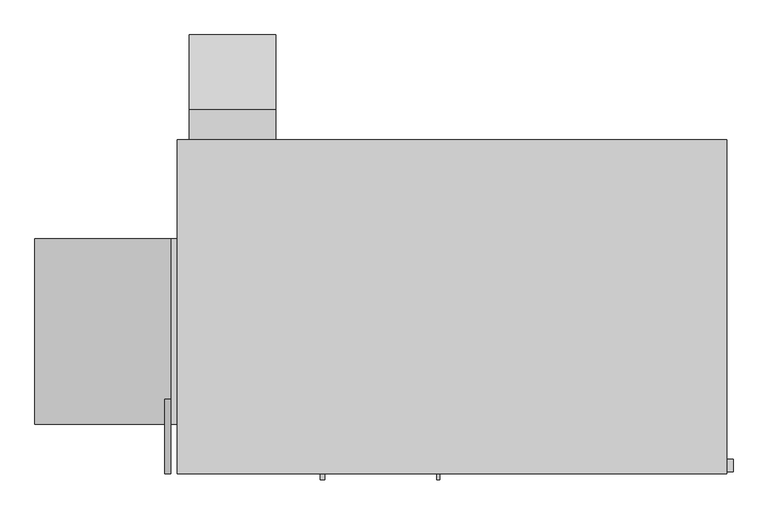
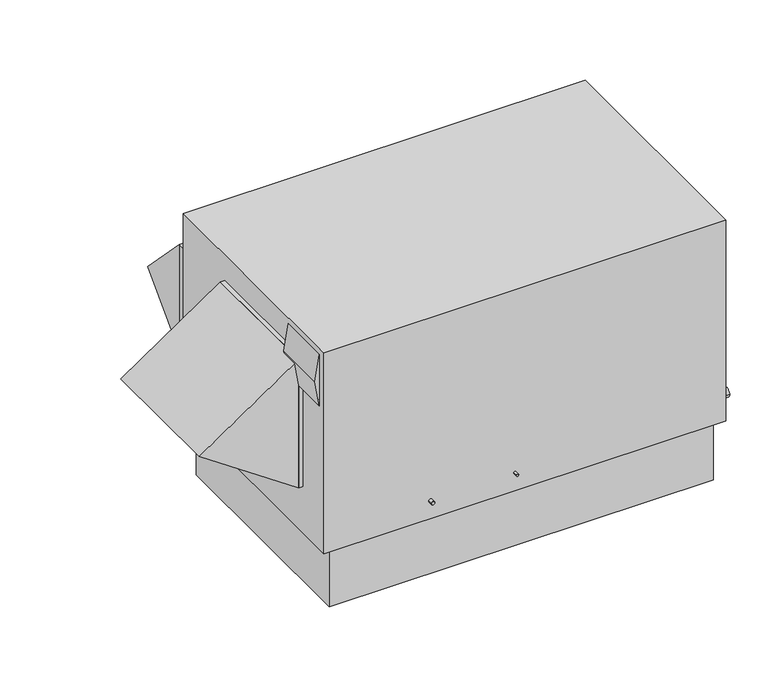
"""IFC4 building model written with IfcOpenShell, lengths in millimetres: proxy geometry."""

import ifcopenshell
import ifcopenshell.guid

model = None  # the IFC model being written
_history = None  # IfcOwnerHistory: only IFC2X3 demands one
_inside = {}  # id of a spatial element -> (the spatial element, [elements in it])
_under = {}  # id of a project, library or spatial element -> (it, [spatial elements below it])
_declared = {}  # id of a project -> (the project, [libraries it declares])
_typed = {}  # id of a type object -> (the type object, [elements of that type])
_made_of = {}  # id of a material, layer set ... -> (it, [elements and type objects made of it])


def new_model(schema):
    """Start an empty IFC model of exactly this schema.

    Asked for "IFC4X3", IfcOpenShell would pick the latest addendum, in which some entities
    have other attributes; the version numbers below select the first issue.
    IFC2X3 requires an IfcOwnerHistory on every rooted entity: one is made here for all.
    """
    global model, _history
    if schema == "IFC4X3":
        model = ifcopenshell.file(schema_version=(4, 3, 0, 0))
    else:
        model = ifcopenshell.file(schema=schema)
    _inside.clear()
    _under.clear()
    _declared.clear()
    _typed.clear()
    _made_of.clear()
    _history = None
    if model.schema == "IFC2X3":
        org = make("IfcOrganization", Name="unknown")
        user = make(
            "IfcPersonAndOrganization",
            ThePerson=make("IfcPerson", FamilyName="unknown"),
            TheOrganization=org,
        )
        app = make(
            "IfcApplication",
            ApplicationDeveloper=org,
            Version="unknown",
            ApplicationFullName="unknown",
            ApplicationIdentifier="unknown",
        )
        _history = make(
            "IfcOwnerHistory",
            OwningUser=user,
            OwningApplication=app,
            ChangeAction="ADDED",
            CreationDate=0,
        )
    return model


def make(cls, **values):
    """One entity of the class cls with the attributes given. An attribute that is None is left unset."""
    return model.create_entity(
        cls, **{name: value for name, value in values.items() if value is not None}
    )


def rooted(cls, **values):
    """An entity with a GlobalId (a new one), such as an element, a storey or a relation."""
    return make(cls, GlobalId=ifcopenshell.guid.new(), OwnerHistory=_history, **values)


def si_unit(unit_type, name, prefix=None):
    """IfcSIUnit, for example si_unit("LENGTHUNIT", "METRE", prefix="MILLI")."""
    return make("IfcSIUnit", UnitType=unit_type, Prefix=prefix, Name=name)


def assignment(units):
    """IfcUnitAssignment: the units of a project."""
    return None if units is None else make("IfcUnitAssignment", Units=units)


def point(xyz):
    """IfcCartesianPoint."""
    return None if xyz is None else make("IfcCartesianPoint", Coordinates=xyz)


def direction(xyz):
    """IfcDirection."""
    return None if xyz is None else make("IfcDirection", DirectionRatios=xyz)


def frame(location, z_axis=None, x_axis=None):
    """IfcAxis2Placement3D, a coordinate frame: its origin and axes. An axis left out is left unset."""
    return make(
        "IfcAxis2Placement3D",
        Location=point(location),
        Axis=direction(z_axis),
        RefDirection=direction(x_axis),
    )


def origin():
    """The frame at (0, 0, 0) with its axes left unset."""
    return frame((0.0, 0.0, 0.0))


def place(relative_to, where):
    """IfcLocalPlacement: puts the frame where relative to a parent placement (None: the world)."""
    return make(
        "IfcLocalPlacement", PlacementRelTo=relative_to, RelativePlacement=where
    )


def context(
    kind, dimensions, precision=None, world=None, true_north=None, identifier=None
):
    """IfcGeometricRepresentationContext, for example the 3D "Model" context."""
    return make(
        "IfcGeometricRepresentationContext",
        ContextIdentifier=identifier,
        ContextType=kind,
        CoordinateSpaceDimension=dimensions,
        Precision=precision,
        WorldCoordinateSystem=world,
        TrueNorth=true_north,
    )


def project(units=None, contexts=None):
    """IfcProject with its units and contexts."""
    return rooted(
        "IfcProject",
        Name="project",
        RepresentationContexts=contexts,
        UnitsInContext=assignment(units),
    )


def spatial(cls, under=None, at=None, **own):
    """A site, building, storey or space (cls), placed at a placement, below another one or the project."""
    s = rooted(cls, ObjectPlacement=at, **own)
    if under is not None:
        _under.setdefault(under.id(), (under, []))[1].append(s)
    return s


def polyline(points):
    """IfcPolyline through the points."""
    return make("IfcPolyline", Points=[point(p) for p in points])


def circle_curve(where, radius):
    """IfcCircle in the frame where."""
    return make("IfcCircle", Position=where, Radius=radius)


def outline(outer, holes=None, kind="AREA"):
    """IfcArbitraryClosedProfileDef: a profile drawn as a closed curve; with holes, ...WithVoids."""
    if holes is None:
        return make("IfcArbitraryClosedProfileDef", ProfileType=kind, OuterCurve=outer)
    return make(
        "IfcArbitraryProfileDefWithVoids",
        ProfileType=kind,
        OuterCurve=outer,
        InnerCurves=holes,
    )


def extrude(swept, where, along, depth):
    """IfcExtrudedAreaSolid: the profile swept, set in the frame where, extruded along a direction by depth."""
    return make(
        "IfcExtrudedAreaSolid",
        SweptArea=swept,
        Position=where,
        ExtrudedDirection=direction(along),
        Depth=depth,
    )


def shape(context_of_items, identifier, shape_type, items):
    """IfcShapeRepresentation: the items that make up one representation, for example the "Body"."""
    return make(
        "IfcShapeRepresentation",
        ContextOfItems=context_of_items,
        RepresentationIdentifier=identifier,
        RepresentationType=shape_type,
        Items=items,
    )


def source(mapping_origin, context_of_items, identifier, shape_type, items):
    """IfcRepresentationMap: a shape defined once, which mapped items show again and again."""
    return make(
        "IfcRepresentationMap",
        MappingOrigin=mapping_origin,
        MappedRepresentation=shape(context_of_items, identifier, shape_type, items),
    )


def transform(
    local_origin,
    x_axis=None,
    y_axis=None,
    z_axis=None,
    scale=None,
    scale2=None,
    scale3=None,
    uniform=True,
):
    """IfcCartesianTransformationOperator3D, or its non-uniform kind. x_axis, y_axis, z_axis: its Axis1, 2, 3."""
    if uniform:
        return make(
            "IfcCartesianTransformationOperator3D",
            Axis1=direction(x_axis),
            Axis2=direction(y_axis),
            LocalOrigin=point(local_origin),
            Scale=scale,
            Axis3=direction(z_axis),
        )
    return make(
        "IfcCartesianTransformationOperator3DnonUniform",
        Axis1=direction(x_axis),
        Axis2=direction(y_axis),
        LocalOrigin=point(local_origin),
        Scale=scale,
        Axis3=direction(z_axis),
        Scale2=scale2,
        Scale3=scale3,
    )


def mapped(mapping_source, mapping_target):
    """IfcMappedItem: shows the shape of a source again, moved by a transform."""
    return make(
        "IfcMappedItem", MappingSource=mapping_source, MappingTarget=mapping_target
    )


def made_of(thing, what):
    """Note that an element or type object is made of a material, layer set ...; save() writes the relation."""
    if what is not None:
        _made_of.setdefault(what.id(), (what, []))[1].append(thing)
    return thing


def element(
    cls,
    number,
    at=None,
    inside=None,
    cuts=None,
    type_object=None,
    material=None,
    context=None,
    identifier="Body",
    shape_type=None,
    held_by="IfcProductDefinitionShape",
    body=None,
    shapes=None,
    **own,
):
    """One element of the class cls, such as IfcWall. Its Tag is "e" and its number.

    at: its placement. inside: the storey or other place that contains it. cuts: it is an
    opening in that element (IfcRelVoidsElement). A single representation is given by context,
    identifier, shape_type and body (its items); several are given by shapes. held_by: the class
    of the entity that holds the representations. save() writes the other relations.
    """
    e = rooted(cls, Tag="e%d" % number, ObjectPlacement=at, **own)
    if body is not None:
        shapes = [shape(context, identifier, shape_type, body)]
    if shapes is not None:
        e.Representation = make(held_by, Representations=shapes)
    if inside is not None:
        _inside.setdefault(inside.id(), (inside, []))[1].append(e)
    if cuts is not None:
        rooted(
            "IfcRelVoidsElement", RelatingBuildingElement=cuts, RelatedOpeningElement=e
        )
    if type_object is not None:
        _typed.setdefault(type_object.id(), (type_object, []))[1].append(e)
    return made_of(e, material)


def aggregate(whole, parts):
    """IfcRelAggregates: a whole, such as a stair, and the parts it consists of."""
    return rooted("IfcRelAggregates", RelatingObject=whole, RelatedObjects=parts)


def save(model, path):
    """Write the relations noted so far, then the file.

    IfcRelAggregates (storeys below a building ...), IfcRelContainedInSpatialStructure (elements
    in a storey), IfcRelDefinesByType, IfcRelAssociatesMaterial and IfcRelDeclares: one each for
    every whole, place, type object, material and project.
    """
    for whole, parts in _under.values():
        aggregate(whole, parts)
    for where, things in _inside.values():
        rooted(
            "IfcRelContainedInSpatialStructure",
            RelatedElements=things,
            RelatingStructure=where,
        )
    for kind, things in _typed.values():
        rooted("IfcRelDefinesByType", RelatedObjects=things, RelatingType=kind)
    for what, things in _made_of.values():
        rooted("IfcRelAssociatesMaterial", RelatedObjects=things, RelatingMaterial=what)
    for by, libraries in _declared.values():
        rooted("IfcRelDeclares", RelatingContext=by, RelatedDefinitions=libraries)
    model.write(path)


def plane_surface(at):
    """IfcPlane: the flat surface through the origin of the frame at, square to its z axis."""
    return make("IfcPlane", Position=at)


def cylinder_surface(at, radius):
    """IfcCylindricalSurface: all points at the distance radius from the z axis of the frame at."""
    return make("IfcCylindricalSurface", Position=at, Radius=radius)


def advanced_brep(points, edges, surfaces, faces):
    """IfcAdvancedBrep: a solid bounded by faces that lie on surfaces and meet in shared edges.

    An edge is (start, end): straight between two places in points (the first is 0);
    or (start, end, curve); or (start, end, curve, False) where it runs against its curve.
    A face is (place in surfaces, loops), or (place, loops, False) where it looks against
    its surface's normal. A loop lists edges by number (the first is 1), with a minus sign
    where the edge is run from its end to its start. The first loop is the outer one.
    """
    corners = [point(p) for p in points]
    vertices = [make("IfcVertexPoint", VertexGeometry=c) for c in corners]
    made = []
    for start, end, *more in edges:
        made.append(
            make(
                "IfcEdgeCurve",
                EdgeStart=vertices[start],
                EdgeEnd=vertices[end],
                EdgeGeometry=more[0] if more else make("IfcPolyline", Points=[corners[start], corners[end]]),
                SameSense=more[1] if len(more) > 1 else True,
            )
        )
    hull = []
    for where, loops, *sense in faces:
        bounds = []
        for j, loop in enumerate(loops):
            ring = [make("IfcOrientedEdge", EdgeElement=made[abs(k) - 1], Orientation=k > 0) for k in loop]
            bounds.append(
                make(
                    "IfcFaceOuterBound" if j == 0 else "IfcFaceBound",
                    Bound=make("IfcEdgeLoop", EdgeList=ring),
                    Orientation=True,
                )
            )
        hull.append(make("IfcAdvancedFace", Bounds=bounds, FaceSurface=surfaces[where], SameSense=sense[0] if sense else True))
    return make("IfcAdvancedBrep", Outer=make("IfcClosedShell", CfsFaces=hull))


def mechanical_equipment_49fec0ff(model_context):
    return source(origin(), model_context, "Body", "SolidModel", [
        extrude(outline(polyline([(889.0, -2286.0), (1193.8, -2286.0), (1041.4, -2311.4), (889.0, -2286.0)])), frame((0.0, 0.0, 0.0), z_axis=(0.0, 1.0, 0.0), x_axis=(0.0, 0.0, 1.0)), (0.0, 0.0, 1.0), 304.8),
        extrude(outline(polyline([(279.4, -2286.0), (1041.4, -2286.0), (660.4, -2844.8), (279.4, -2286.0)])), frame((0.0, 203.2, 0.0), z_axis=(0.0, 1.0, 0.0), x_axis=(0.0, 0.0, 1.0)), (0.0, 0.0, 1.0), 762.0),
        extrude(outline(polyline([(-2286.0, 203.2), (-2286.0, 965.2), (-2260.6, 965.2), (-2260.6, 203.2), (-2286.0, 203.2)])), frame((0.0, 0.0, 279.4), z_axis=(0.0, 0.0, 1.0), x_axis=(1.0, 0.0, 0.0)), (0.0, 0.0, 1.0), 762.0),
        extrude(outline(polyline([(1498.6, 279.4), (1498.6, 914.4), (1803.4, 596.9), (1498.6, 279.4)])), frame((-2209.8, 0.0, 0.0), z_axis=(1.0, 0.0, 0.0), x_axis=(0.0, 1.0, 0.0)), (0.0, 0.0, 1.0), 355.6),
        extrude(outline(polyline([(-2209.8, 1498.6), (-1854.2, 1498.6), (-1854.2, 1371.6), (-2209.8, 1371.6), (-2209.8, 1498.6)])), frame((0.0, 0.0, 279.4), z_axis=(0.0, 0.0, 1.0), x_axis=(1.0, 0.0, 0.0)), (0.0, 0.0, 1.0), 635.0),
        extrude(outline(polyline([(-50.8, 1333.5), (-50.8, 38.1), (-2209.8, 38.1), (-2209.8, 1333.5), (-50.8, 1333.5)])), frame((0.0, 0.0, -355.6), z_axis=(0.0, 0.0, 1.0), x_axis=(1.0, 0.0, 0.0)), (0.0, 0.0, 1.0), 355.6),
        advanced_brep(
        [(0.0, 1371.6, 1193.8), (-2260.6, 1371.6, 1193.8), (-2260.6, 0.0, 1193.8), (0.0, 0.0, 1193.8), (0.0, 1371.6, 0.0), (0.0, 0.0, 0.0), (-2260.6, 0.0, 0.0), (-2260.6, 1371.6, 0.0), (-1711.325, 1270.0, 0.0), (-2168.525, 1270.0, 0.0), (-2168.525, 457.2, 0.0), (-1711.325, 457.2, 0.0), (-1016.0, 1270.0, 0.0), (-1473.2, 1270.0, 0.0), (-1473.2, 406.4, 0.0), (-1016.0, 406.4, 0.0), (-1181.1, 0.0, 107.95), (-1193.8, 0.0, 107.95), (-1652.5875, 0.0, 107.95), (-1671.6375, 0.0, 107.95), (0.0, 58.7375, 142.875), (0.0, 7.9375, 142.875), (-1711.325, 1270.0, 107.95), (-1711.325, 457.2, 107.95), (-2168.525, 457.2, 107.95), (-2168.525, 1270.0, 107.95), (-1016.0, 1270.0, 107.95), (-1016.0, 406.4, 107.95), (-1473.2, 406.4, 107.95), (-1473.2, 1270.0, 107.95), (-1193.8, -25.5724411, 107.95), (-1181.1, -25.5724411, 107.95), (25.4, 7.9375, 142.875), (25.4, 58.7375, 142.875), (-1671.6375, -25.5724411, 107.95), (-1652.5875, -25.5724411, 107.95)],
        [
            (0, 1),
            (1, 2),
            (2, 3),
            (3, 0),
            (4, 5),
            (5, 6),
            (6, 7),
            (7, 4),
            (8, 9),
            (9, 10),
            (10, 11),
            (11, 8),
            (12, 13),
            (13, 14),
            (14, 15),
            (15, 12),
            (0, 4),
            (7, 1),
            (6, 2),
            (5, 3),
            (16, 17, circle_curve(frame((-1187.45, 0.0, 107.95), z_axis=(0.0, 1.0, 0.0), x_axis=(1.0, 0.0, 0.0)), 6.35)),
            (17, 16, circle_curve(frame((-1187.45, 0.0, 107.95), z_axis=(0.0, 1.0, 0.0), x_axis=(1.0, 0.0, 0.0)), 6.35)),
            (18, 19, circle_curve(frame((-1662.1125, 0.0, 107.95), z_axis=(0.0, 1.0, 0.0), x_axis=(1.0, 0.0, 0.0)), 9.525)),
            (19, 18, circle_curve(frame((-1662.1125, 0.0, 107.95), z_axis=(0.0, 1.0, 0.0), x_axis=(1.0, 0.0, 0.0)), 9.525)),
            (20, 21, circle_curve(frame((0.0, 33.3375, 142.875), z_axis=(-1.0, 0.0, 0.0), x_axis=(0.0, 1.0, 0.0)), 25.4)),
            (21, 20, circle_curve(frame((0.0, 33.3375, 142.875), z_axis=(-1.0, 0.0, 0.0), x_axis=(0.0, 1.0, 0.0)), 25.4)),
            (22, 23),
            (23, 24),
            (24, 25),
            (25, 22),
            (26, 27),
            (27, 28),
            (28, 29),
            (29, 26),
            (25, 9),
            (8, 22),
            (24, 10),
            (23, 11),
            (29, 13),
            (12, 26),
            (28, 14),
            (27, 15),
            (30, 31, circle_curve(frame((-1187.45, -25.5724411, 107.95), z_axis=(0.0, -1.0, 0.0), x_axis=(1.0, 0.0, 0.0)), 6.35)),
            (31, 30, circle_curve(frame((-1187.45, -25.5724411, 107.95), z_axis=(0.0, -1.0, 0.0), x_axis=(1.0, 0.0, 0.0)), 6.35)),
            (30, 17),
            (16, 31),
            (32, 33, circle_curve(frame((25.4, 33.3375, 142.875), z_axis=(1.0, 0.0, 0.0), x_axis=(0.0, 1.0, 0.0)), 25.4)),
            (33, 32, circle_curve(frame((25.4, 33.3375, 142.875), z_axis=(1.0, 0.0, 0.0), x_axis=(0.0, 1.0, 0.0)), 25.4)),
            (32, 21),
            (20, 33),
            (34, 35, circle_curve(frame((-1662.1125, -25.5724411, 107.95), z_axis=(0.0, -1.0, 0.0), x_axis=(1.0, 0.0, 0.0)), 9.525)),
            (35, 34, circle_curve(frame((-1662.1125, -25.5724411, 107.95), z_axis=(0.0, -1.0, 0.0), x_axis=(1.0, 0.0, 0.0)), 9.525)),
            (34, 19),
            (18, 35),
        ],
        [
            plane_surface(frame((-2260.6, 1371.6, 1193.8), z_axis=(0.0, 0.0, 1.0), x_axis=(-1.0, 0.0, 0.0))),
            plane_surface(frame((-2260.6, 1371.6, 0.0), z_axis=(0.0, 0.0, -1.0), x_axis=(1.0, 0.0, 0.0))),
            plane_surface(frame((0.0, 1371.6, 1193.8), z_axis=(0.0, 1.0, 0.0), x_axis=(0.0, 0.0, -1.0))),
            plane_surface(frame((-2260.6, 1371.6, 1193.8), z_axis=(-1.0, 0.0, 0.0), x_axis=(0.0, 0.0, -1.0))),
            plane_surface(frame((-2260.6, 0.0, 1193.8), z_axis=(0.0, -1.0, 0.0), x_axis=(0.0, 0.0, -1.0))),
            plane_surface(frame((0.0, 0.0, 1193.8), z_axis=(1.0, 0.0, 0.0), x_axis=(0.0, 0.0, -1.0))),
            plane_surface(frame((-2168.525, 1270.0, 107.95), z_axis=(0.0, 0.0, -1.0), x_axis=(-1.0, 0.0, 0.0))),
            plane_surface(frame((-1711.325, 1270.0, 107.95), z_axis=(0.0, -1.0, 0.0), x_axis=(0.0, 0.0, -1.0))),
            plane_surface(frame((-2168.525, 1270.0, 107.95), z_axis=(1.0, 0.0, 0.0), x_axis=(0.0, 0.0, -1.0))),
            plane_surface(frame((-2168.525, 457.2, 107.95), z_axis=(0.0, 1.0, 0.0), x_axis=(0.0, 0.0, -1.0))),
            plane_surface(frame((-1711.325, 457.2, 107.95), z_axis=(-1.0, 0.0, 0.0), x_axis=(0.0, 0.0, -1.0))),
            plane_surface(frame((-1016.0, 1270.0, 107.95), z_axis=(0.0, -1.0, 0.0), x_axis=(0.0, 0.0, -1.0))),
            plane_surface(frame((-1473.2, 1270.0, 107.95), z_axis=(1.0, 0.0, 0.0), x_axis=(0.0, 0.0, -1.0))),
            plane_surface(frame((-1473.2, 406.4, 107.95), z_axis=(0.0, 1.0, 0.0), x_axis=(0.0, 0.0, -1.0))),
            plane_surface(frame((-1016.0, 406.4, 107.95), z_axis=(-1.0, 0.0, 0.0), x_axis=(0.0, 0.0, -1.0))),
            plane_surface(frame((-1181.1, -25.5724411, 107.95), z_axis=(0.0, -1.0, 0.0), x_axis=(0.0, 0.0, 1.0))),
            cylinder_surface(frame((-1187.45, 0.0, 107.95), z_axis=(0.0, -1.0, 0.0), x_axis=(1.0, 0.0, 0.0)), 6.35),
            plane_surface(frame((25.4, 58.7375, 142.875), z_axis=(1.0, 0.0, 0.0), x_axis=(0.0, 0.0, 1.0))),
            cylinder_surface(frame((0.0, 33.3375, 142.875), z_axis=(1.0, 0.0, 0.0), x_axis=(0.0, 1.0, 0.0)), 25.4),
            plane_surface(frame((-1652.5875, -25.5724411, 107.95), z_axis=(0.0, -1.0, 0.0), x_axis=(0.0, 0.0, 1.0))),
            cylinder_surface(frame((-1662.1125, 0.0, 107.95), z_axis=(0.0, -1.0, 0.0), x_axis=(1.0, 0.0, 0.0)), 9.525),
        ],
        [
            (0, [[1, 2, 3, 4]]),
            (1, [[5, 6, 7, 8], [9, 10, 11, 12], [13, 14, 15, 16]]),
            (2, [[-1, 17, -8, 18]]),
            (3, [[-2, -18, -7, 19]]),
            (4, [[-3, -19, -6, 20], [21, 22], [23, 24]]),
            (5, [[-4, -20, -5, -17], [25, 26]]),
            (6, [[27, 28, 29, 30]]),
            (6, [[31, 32, 33, 34]]),
            (7, [[-30, 35, -9, 36]]),
            (8, [[-29, 37, -10, -35]]),
            (9, [[-28, 38, -11, -37]]),
            (10, [[-27, -36, -12, -38]]),
            (11, [[-34, 39, -13, 40]]),
            (12, [[-33, 41, -14, -39]]),
            (13, [[-32, 42, -15, -41]]),
            (14, [[-31, -40, -16, -42]]),
            (15, [[43, 44]]),
            (16, [[-43, 45, -21, 46]]),
            (16, [[-44, -46, -22, -45]]),
            (17, [[47, 48]]),
            (18, [[-47, 49, -25, 50]]),
            (18, [[-48, -50, -26, -49]]),
            (19, [[51, 52]]),
            (20, [[-51, 53, -23, 54]]),
            (20, [[-52, -54, -24, -53]]),
        ],
    ),
    ])


if __name__ == "__main__":
    model = new_model("IFC4")
    model_context = context("Model", 3, world=origin())
    ifc_project = project(units=[si_unit("LENGTHUNIT", "METRE", prefix="MILLI")], contexts=[model_context])
    site = spatial("IfcSite", under=ifc_project)
    building = spatial("IfcBuilding", under=site)
    placement = place(None, origin())
    mechanical_equipment_shape = mechanical_equipment_49fec0ff(model_context)
    element("IfcBuildingElementProxy", 1, Name="Mechanical Equipment", at=placement, inside=building, context=model_context, shape_type="MappedRepresentation", body=[
        mapped(mechanical_equipment_shape, transform((0.0, 0.0, 0.0), x_axis=(1.0, 0.0, 0.0), y_axis=(0.0, 1.0, 0.0), z_axis=(0.0, 0.0, 1.0))),
    ])
    save(model, "model.ifc")
